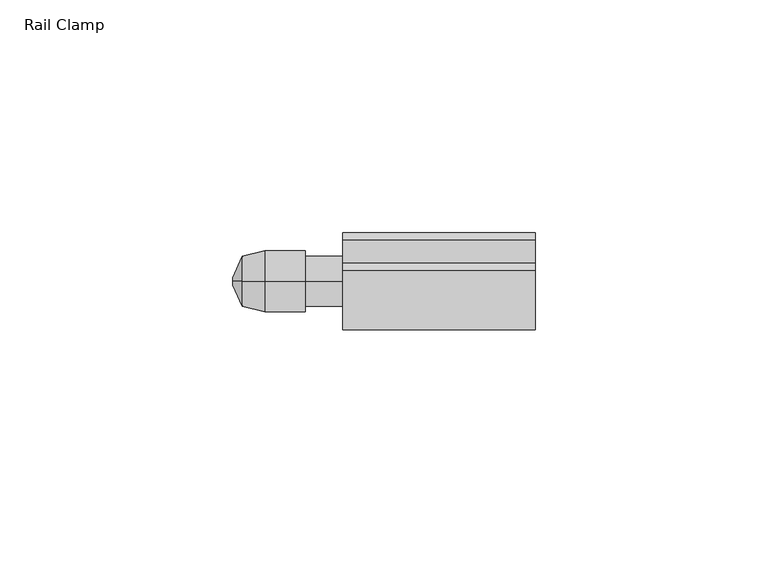
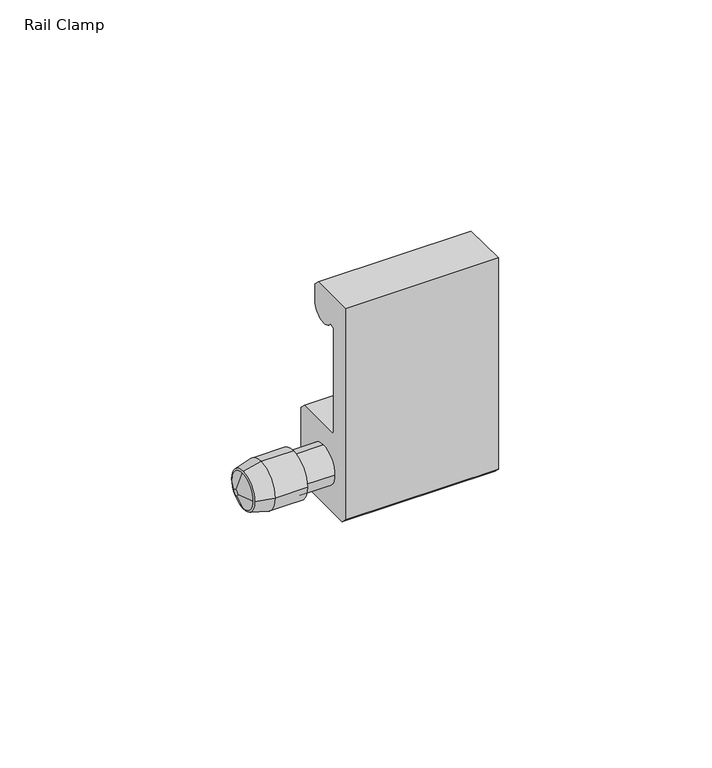
"""IFC4 building model written with IfcOpenShell, lengths in millimetres: furniture geometry, Rail Clamp."""

from ifc_helpers import new_model, si_unit, frame, origin, place, context, project, spatial, polyline, circle_curve, source, transform, mapped, element, save
from ifc_brep_helpers import plane_surface, cylinder_surface, revolved_surface, advanced_brep


def rail_clamp_abde1e84(model_context):
    return source(origin(), model_context, "Body", "AdvancedBrep", [
        advanced_brep(
        [(-42.2627645, -46.5617724, 1178.0943035), (-42.2627645, -41.2023724, 1183.4537035), (-42.2627645, -35.8429724, 1178.0943035), (-42.2627645, -41.2023724, 1172.7349035), (-37.4502448, -47.7301724, 1178.0943035), (-37.4502448, -41.2023724, 1171.5665035), (-37.4502448, -34.6745724, 1178.0943035), (-37.4502448, -41.2023724, 1184.6221035)],
        [
            (0, 1, circle_curve(frame((-42.2627645, -41.2023724, 1178.0943035), z_axis=(-1.0, 0.0, 3.1782723582535994e-12), x_axis=(0.0, -1.0, 7.182660263663921e-12)), 5.3594)),
            (1, 2, circle_curve(frame((-42.2627645, -41.2023724, 1178.0943035), z_axis=(-1.0, -3.195851298288188e-12, 0.0), x_axis=(0.0, -7.42159956678814e-12, 1.0)), 5.3594)),
            (2, 3, circle_curve(frame((-42.2627645, -41.2023724, 1178.0943035), z_axis=(-1.0, 0.0, 1.434441506822421e-12), x_axis=(0.0, 1.0, 1.737740386369499e-12)), 5.3594)),
            (3, 0, circle_curve(frame((-42.2627645, -41.2023724, 1178.0943035), z_axis=(-1.0, -1.4256520368051267e-12, 0.0), x_axis=(0.0, -5.843152049155921e-12, -1.0)), 5.3594)),
            (4, 5, circle_curve(frame((-37.4502448, -41.2023724, 1178.0943035), z_axis=(1.0, 1.4256520368051267e-12, 0.0), x_axis=(0.0, -5.843152049155921e-12, -1.0)), 6.5278)),
            (5, 6, circle_curve(frame((-37.4502448, -41.2023724, 1178.0943035), z_axis=(1.0, 0.0, -1.434441506822421e-12), x_axis=(0.0, 1.0, 1.737740386369499e-12)), 6.5278)),
            (6, 7, circle_curve(frame((-37.4502448, -41.2023724, 1178.0943035), z_axis=(1.0, 3.195851298288188e-12, 0.0), x_axis=(0.0, -7.42159956678814e-12, 1.0)), 6.5278)),
            (7, 4, circle_curve(frame((-37.4502448, -41.2023724, 1178.0943035), z_axis=(1.0, 0.0, -3.1782723582535994e-12), x_axis=(0.0, -1.0, 7.182660263663921e-12)), 6.5278)),
            (4, 0),
            (3, 5),
            (2, 6),
            (1, 7),
        ],
        [
            plane_surface(frame((-42.2627645, -41.2023724, 1178.0943035), z_axis=(-1.0, 0.0, 0.0), x_axis=(0.0, 0.0, -1.0))),
            plane_surface(frame((-37.4502448, -41.2023724, 1178.0943035), z_axis=(1.0, 0.0, 0.0), x_axis=(0.0, 0.0, -1.0))),
            revolved_surface(polyline([(-42.26276450000765, -41.2023724, 1172.734903509732), (-37.4502448, -41.2023724, 1171.5665035)]), (-64.3375829, -41.2023724, 1178.0943035), (1.0, 1.4256520368051267e-12, 0.0)),
            revolved_surface(polyline([(-42.2627645, -35.84297240973024, 1178.0943035), (-37.45024479999063, -34.67457239999773, 1178.0943035)]), (-64.3375829, -41.2023724, 1178.0943035), (1.0, 0.0, -1.434441506822421e-12)),
            revolved_surface(polyline([(-42.2627645, -41.2023724, 1183.4537034902698), (-37.45024479997914, -41.2023724, 1184.622103500005)]), (-64.3375829, -41.2023724, 1178.0943035), (1.0, 3.195851298288188e-12, 0.0)),
            revolved_surface(polyline([(-42.26276450001704, -46.56177239026563, 1178.0943035), (-37.4502448, -47.7301724, 1178.0943035)]), (-64.3375829, -41.2023724, 1178.0943035), (1.0, 0.0, -3.1782723582535994e-12)),
        ],
        [
            (0, [[1, 2, 3, 4]]),
            (1, [[5, 6, 7, 8]]),
            (2, [[-5, 9, -4, 10]]),
            (3, [[-6, -10, -3, 11]]),
            (4, [[-7, -11, -2, 12]]),
            (5, [[-8, -12, -1, -9]]),
        ],
    ),
        advanced_brep(
        [(-20.6375, -30.8010724, 1168.3999982), (-20.6375, -32.3758712, 1166.8252), (-20.6375, -50.0288731, 1166.8252), (-20.6375, -51.6036724, 1168.3999982), (-20.6375, -51.6036724, 1228.6742), (-20.6375, -38.9100224, 1228.6742), (-20.6375, -37.3352224, 1227.0993995), (-20.6375, -37.3352224, 1222.3496001), (-20.6375, -44.603154, 1220.1646341), (-20.6375, -46.0474222, 1219.7304422), (-20.6375, -46.0474222, 1189.9960319), (-20.6375, -45.4521097, 1189.4007194), (-20.6375, -32.3758724, 1189.4007194), (-20.6375, -30.8010724, 1187.82592), (-20.6375, -46.5617724, 1178.0943035), (-20.6375, -41.2023724, 1172.7349035), (-20.6375, -35.8429724, 1178.0943035), (-20.6375, -41.2023724, 1183.4537035), (20.6375, -30.8010724, 1168.3999982), (20.6375, -30.8010724, 1187.82592), (20.6375, -32.3758724, 1189.4007194), (20.6375, -45.4521097, 1189.4007194), (20.6375, -46.0474222, 1189.9960319), (20.6375, -46.0474222, 1219.7304422), (20.6375, -44.603154, 1220.1646341), (20.6375, -37.3352224, 1222.3496001), (20.6375, -37.3352224, 1227.0993995), (20.6375, -38.9100224, 1228.6742), (20.6375, -51.6036724, 1228.6742), (20.6375, -51.6036724, 1168.3999982), (20.6375, -50.0288731, 1166.8252), (20.6375, -32.3758712, 1166.8252), (-28.6997615, -46.5617724, 1178.0943035), (-28.6997615, -41.2023724, 1172.7349035), (-28.6997615, -35.8429724, 1178.0943035), (-28.6997615, -41.2023724, 1183.4537035), (-28.6997615, -47.7301724, 1178.0943035), (-28.6997615, -41.2023724, 1171.5665035), (-28.6997615, -34.6745724, 1178.0943035), (-28.6997615, -41.2023724, 1184.6221035), (-37.4502448, -47.7301724, 1178.0943035), (-37.4502448, -41.2023724, 1184.6221035), (-37.4502448, -34.6745724, 1178.0943035), (-37.4502448, -41.2023724, 1171.5665035)],
        [
            (0, 1),
            (1, 2),
            (2, 3),
            (3, 4),
            (4, 5),
            (5, 6),
            (6, 7),
            (7, 8, circle_curve(frame((-20.6375, -41.2976225, 1222.3496001), z_axis=(-1.0, 0.0, 0.0), x_axis=(0.0, 1.0, 0.0)), 3.9624001)),
            (8, 9),
            (9, 10),
            (10, 11),
            (11, 12),
            (12, 13),
            (13, 0),
            (14, 15, circle_curve(frame((-20.6375, -41.2023724, 1178.0943035), z_axis=(1.0, 0.0, 0.0), x_axis=(0.0, 1.0, 0.0)), 5.3594)),
            (15, 16, circle_curve(frame((-20.6375, -41.2023724, 1178.0943035), z_axis=(1.0, 0.0, 0.0), x_axis=(0.0, 1.0, 0.0)), 5.3594)),
            (16, 17, circle_curve(frame((-20.6375, -41.2023724, 1178.0943035), z_axis=(1.0, 0.0, 0.0), x_axis=(0.0, 1.0, 0.0)), 5.3594)),
            (17, 14, circle_curve(frame((-20.6375, -41.2023724, 1178.0943035), z_axis=(1.0, 0.0, 0.0), x_axis=(0.0, 1.0, 0.0)), 5.3594)),
            (18, 19),
            (19, 20),
            (20, 21),
            (21, 22),
            (22, 23),
            (23, 24),
            (24, 25, circle_curve(frame((20.6375, -41.2976225, 1222.3496001), z_axis=(1.0, 0.0, 0.0), x_axis=(0.0, 1.0, 0.0)), 3.9624001)),
            (25, 26),
            (26, 27),
            (27, 28),
            (28, 29),
            (29, 30),
            (30, 31),
            (31, 18),
            (0, 18),
            (31, 1),
            (30, 2),
            (29, 3),
            (28, 4),
            (27, 5),
            (26, 6),
            (25, 7),
            (24, 8),
            (23, 9),
            (22, 10),
            (21, 11),
            (20, 12),
            (19, 13),
            (14, 32),
            (32, 33, circle_curve(frame((-28.6997615, -41.2023724, 1178.0943035), z_axis=(1.0, 0.0, 0.0), x_axis=(0.0, 1.0, 0.0)), 5.3594)),
            (33, 15),
            (33, 34, circle_curve(frame((-28.6997615, -41.2023724, 1178.0943035), z_axis=(1.0, 0.0, 0.0), x_axis=(0.0, 1.0, 0.0)), 5.3594)),
            (34, 16),
            (34, 35, circle_curve(frame((-28.6997615, -41.2023724, 1178.0943035), z_axis=(1.0, 0.0, 0.0), x_axis=(0.0, 1.0, 0.0)), 5.3594)),
            (35, 17),
            (35, 32, circle_curve(frame((-28.6997615, -41.2023724, 1178.0943035), z_axis=(1.0, 0.0, 0.0), x_axis=(0.0, 1.0, 0.0)), 5.3594)),
            (36, 37, circle_curve(frame((-28.6997615, -41.2023724, 1178.0943035), z_axis=(1.0, 0.0, 0.0), x_axis=(0.0, 1.0, 0.0)), 6.5278)),
            (37, 38, circle_curve(frame((-28.6997615, -41.2023724, 1178.0943035), z_axis=(1.0, 0.0, 0.0), x_axis=(0.0, 1.0, 0.0)), 6.5278)),
            (38, 39, circle_curve(frame((-28.6997615, -41.2023724, 1178.0943035), z_axis=(1.0, 0.0, 0.0), x_axis=(0.0, 1.0, 0.0)), 6.5278)),
            (39, 36, circle_curve(frame((-28.6997615, -41.2023724, 1178.0943035), z_axis=(1.0, 0.0, 0.0), x_axis=(0.0, 1.0, 0.0)), 6.5278)),
            (40, 41, circle_curve(frame((-37.4502448, -41.2023724, 1178.0943035), z_axis=(-1.0, 0.0, 0.0), x_axis=(0.0, 1.0, 0.0)), 6.5278)),
            (41, 42, circle_curve(frame((-37.4502448, -41.2023724, 1178.0943035), z_axis=(-1.0, 0.0, 0.0), x_axis=(0.0, 1.0, 0.0)), 6.5278)),
            (42, 43, circle_curve(frame((-37.4502448, -41.2023724, 1178.0943035), z_axis=(-1.0, 0.0, 0.0), x_axis=(0.0, 1.0, 0.0)), 6.5278)),
            (43, 40, circle_curve(frame((-37.4502448, -41.2023724, 1178.0943035), z_axis=(-1.0, 0.0, 0.0), x_axis=(0.0, 1.0, 0.0)), 6.5278)),
            (36, 40),
            (43, 37),
            (42, 38),
            (41, 39),
        ],
        [
            plane_surface(frame((-20.6375, -41.2023724, 1228.6742), z_axis=(-1.0, 0.0, 0.0), x_axis=(0.0, 0.0, 1.0))),
            plane_surface(frame((20.6375, -41.2023724, 1228.6742), z_axis=(1.0, 0.0, 0.0), x_axis=(0.0, 0.0, 1.0))),
            plane_surface(frame((-20.6375, -30.8010724, 1168.3999982), z_axis=(0.0, 0.7071066537262837, -0.7071069086467884), x_axis=(1.0, 0.0, 0.0))),
            plane_surface(frame((-20.6375, -32.3758712, 1166.8252), z_axis=(0.0, 0.0, -1.0), x_axis=(1.0, 0.0, 0.0))),
            plane_surface(frame((-20.6375, -50.0288731, 1166.8252), z_axis=(0.0, -0.7071065262660429, -0.7071070361069604), x_axis=(1.0, 0.0, 0.0))),
            plane_surface(frame((-20.6375, -51.6036724, 1168.3999982), z_axis=(0.0, -1.0, 0.0), x_axis=(1.0, 0.0, 0.0))),
            plane_surface(frame((-20.6375, -51.6036724, 1228.6742), z_axis=(0.0, 0.0, 1.0), x_axis=(1.0, 0.0, 0.0))),
            plane_surface(frame((-20.6375, -38.9100224, 1228.6742), z_axis=(0.0, 0.7071069046636025, 0.707106657709471), x_axis=(1.0, 0.0, 0.0))),
            plane_surface(frame((-20.6375, -37.3352224, 1227.0993995), z_axis=(0.0, 1.0, 0.0), x_axis=(1.0, 0.0, 0.0))),
            cylinder_surface(frame((-20.6375, -41.2976225, 1222.3496001), z_axis=(-1.0, 0.0, 0.0), x_axis=(0.0, 1.0, 0.0)), 3.9624001),
            plane_surface(frame((-20.6375, -44.603154, 1220.1646341), z_axis=(0.0, 0.2879022867565173, -0.9576597899464967), x_axis=(1.0, 0.0, 0.0))),
            plane_surface(frame((-20.6375, -46.0474222, 1219.7304422), z_axis=(0.0, 1.0, 0.0), x_axis=(1.0, 0.0, 0.0))),
            plane_surface(frame((-20.6375, -46.0474222, 1189.9960319), z_axis=(0.0, 0.7071067811865476, 0.7071067811865476), x_axis=(1.0, 0.0, 0.0))),
            plane_surface(frame((-20.6375, -45.4521097, 1189.4007194), z_axis=(0.0, 0.0, 1.0), x_axis=(1.0, 0.0, 0.0))),
            plane_surface(frame((-20.6375, -32.3758724, 1189.4007194), z_axis=(0.0, 0.7071066537262837, 0.7071069086467885), x_axis=(1.0, 0.0, 0.0))),
            plane_surface(frame((-20.6375, -30.8010724, 1187.82592), z_axis=(0.0, 1.0, 0.0), x_axis=(1.0, 0.0, 0.0))),
            cylinder_surface(frame((-28.6997615, -41.2023724, 1178.0943035), z_axis=(1.0, 0.0, 0.0), x_axis=(0.0, 1.0, 0.0)), 5.3594),
            plane_surface(frame((-28.6997615, -34.6745724, 1178.0943035), z_axis=(1.0, 0.0, 0.0), x_axis=(0.0, 0.0, 1.0))),
            plane_surface(frame((-37.4502448, -34.6745724, 1178.0943035), z_axis=(-1.0, 0.0, 0.0), x_axis=(0.0, 0.0, -1.0))),
            cylinder_surface(frame((-37.4502448, -41.2023724, 1178.0943035), z_axis=(1.0, 0.0, 0.0), x_axis=(0.0, 1.0, 0.0)), 6.5278),
        ],
        [
            (0, [[1, 2, 3, 4, 5, 6, 7, 8, 9, 10, 11, 12, 13, 14], [15, 16, 17, 18]]),
            (1, [[19, 20, 21, 22, 23, 24, 25, 26, 27, 28, 29, 30, 31, 32]]),
            (2, [[-1, 33, -32, 34]]),
            (3, [[-2, -34, -31, 35]]),
            (4, [[-3, -35, -30, 36]]),
            (5, [[-4, -36, -29, 37]]),
            (6, [[-5, -37, -28, 38]]),
            (7, [[-6, -38, -27, 39]]),
            (8, [[-7, -39, -26, 40]]),
            (9, [[-8, -40, -25, 41]]),
            (10, [[-9, -41, -24, 42]]),
            (11, [[-10, -42, -23, 43]]),
            (12, [[-11, -43, -22, 44]]),
            (13, [[-12, -44, -21, 45]]),
            (14, [[-13, -45, -20, 46]]),
            (15, [[-14, -46, -19, -33]]),
            (16, [[47, 48, 49, -15]]),
            (16, [[-49, 50, 51, -16]]),
            (16, [[-51, 52, 53, -17]]),
            (16, [[-47, -18, -53, 54]]),
            (17, [[55, 56, 57, 58], [-48, -54, -52, -50]]),
            (18, [[59, 60, 61, 62]]),
            (19, [[-55, 63, -62, 64]]),
            (19, [[-56, -64, -61, 65]]),
            (19, [[-57, -65, -60, 66]]),
            (19, [[-58, -66, -59, -63]]),
        ],
    ),
        advanced_brep(
        [(-44.2561748, -41.9961224, 1178.0943035), (-44.2561748, -41.2023724, 1178.8880535), (-44.2561748, -40.4086224, 1178.0943035), (-44.2561748, -41.2023724, 1177.3005535), (-42.2627645, -46.5617724, 1178.0943035), (-42.2627645, -41.2023724, 1172.7349035), (-42.2627645, -35.8429724, 1178.0943035), (-42.2627645, -41.2023724, 1183.4537035)],
        [
            (0, 1, circle_curve(frame((-44.2561748, -41.2023724, 1178.0943035), z_axis=(-1.0, 0.0, -1.425961435377879e-12), x_axis=(0.0, -1.0, 0.0)), 0.79375)),
            (1, 2, circle_curve(frame((-44.2561748, -41.2023724, 1178.0943035), z_axis=(-1.0, 1.4556689652815846e-12, 0.0), x_axis=(0.0, 0.0, 1.0)), 0.79375)),
            (2, 3, circle_curve(frame((-44.2561748, -41.2023724, 1178.0943035), z_axis=(-1.0, 0.0, 4.413690157122006e-12), x_axis=(0.0, 1.0, 1.9863573002473537e-12)), 0.79375)),
            (3, 0, circle_curve(frame((-44.2561748, -41.2023724, 1178.0943035), z_axis=(-1.0, -4.460373418399258e-12, 0.0), x_axis=(0.0, -1.9400336691790338e-12, -1.0)), 0.79375)),
            (4, 5, circle_curve(frame((-42.2627645, -41.2023724, 1178.0943035), z_axis=(1.0, 4.460373418399258e-12, 0.0), x_axis=(0.0, -1.9400336691790338e-12, -1.0)), 5.3594)),
            (5, 6, circle_curve(frame((-42.2627645, -41.2023724, 1178.0943035), z_axis=(1.0, 0.0, -4.413690157122006e-12), x_axis=(0.0, 1.0, 1.9863573002473537e-12)), 5.3594)),
            (6, 7, circle_curve(frame((-42.2627645, -41.2023724, 1178.0943035), z_axis=(1.0, -1.4556689652815846e-12, 0.0), x_axis=(0.0, 0.0, 1.0)), 5.3594)),
            (7, 4, circle_curve(frame((-42.2627645, -41.2023724, 1178.0943035), z_axis=(1.0, 0.0, 1.425961435377879e-12), x_axis=(0.0, -1.0, 0.0)), 5.3594)),
            (0, 4),
            (7, 1),
            (6, 2),
            (5, 3),
        ],
        [
            plane_surface(frame((-44.2561748, -41.2023724, 1178.0943035), z_axis=(-1.0, 0.0, 0.0), x_axis=(0.0, -1.0, 0.0))),
            plane_surface(frame((-42.2627645, -41.2023724, 1178.0943035), z_axis=(1.0, 0.0, 0.0), x_axis=(0.0, -1.0, 0.0))),
            revolved_surface(polyline([(-44.2561748, -41.99612238100404, 1178.0943035), (-42.26276449999236, -46.5617724000175, 1178.0943035)]), (-44.6027343, -41.2023724, 1178.0943035), (1.0, 0.0, 1.425961435377879e-12)),
            revolved_surface(polyline([(-44.256174800001155, -41.2023724, 1178.8880534810014), (-42.2627645, -41.2023724, 1183.4537035)]), (-44.6027343, -41.2023724, 1178.0943035), (1.0, -1.4556689652815846e-12, 0.0)),
            revolved_surface(polyline([(-44.2561748, -40.40862241899596, 1178.0943035), (-42.26276449997635, -35.84297239994582, 1178.0943035)]), (-44.6027343, -41.2023724, 1178.0943035), (1.0, 0.0, -4.413690157122006e-12)),
            revolved_surface(polyline([(-44.256174800003535, -41.2023724, 1177.300553519004), (-42.2627645, -41.2023724, 1172.7349035)]), (-44.6027343, -41.2023724, 1178.0943035), (1.0, 4.460373418399258e-12, 0.0)),
        ],
        [
            (0, [[1, 2, 3, 4]]),
            (1, [[5, 6, 7, 8]]),
            (2, [[-1, 9, -8, 10]]),
            (3, [[-2, -10, -7, 11]]),
            (4, [[-3, -11, -6, 12]]),
            (5, [[-4, -12, -5, -9]]),
        ],
    ),
    ])


if __name__ == "__main__":
    model = new_model("IFC4")
    model_context = context("Model", 3, world=origin())
    ifc_project = project(units=[si_unit("LENGTHUNIT", "METRE", prefix="MILLI")], contexts=[model_context])
    site = spatial("IfcSite", under=ifc_project)
    building = spatial("IfcBuilding", under=site)
    placement = place(None, origin())
    rail_clamp_shape = rail_clamp_abde1e84(model_context)
    element("IfcFurniture", 1, ObjectType="Rail Clamp", at=placement, inside=building, context=model_context, shape_type="MappedRepresentation", body=[
        mapped(rail_clamp_shape, transform((0.0, 0.0, 0.0), x_axis=(1.0, 0.0, 0.0), y_axis=(0.0, 1.0, 0.0), z_axis=(0.0, 0.0, 1.0))),
    ])
    save(model, "model.ifc")
